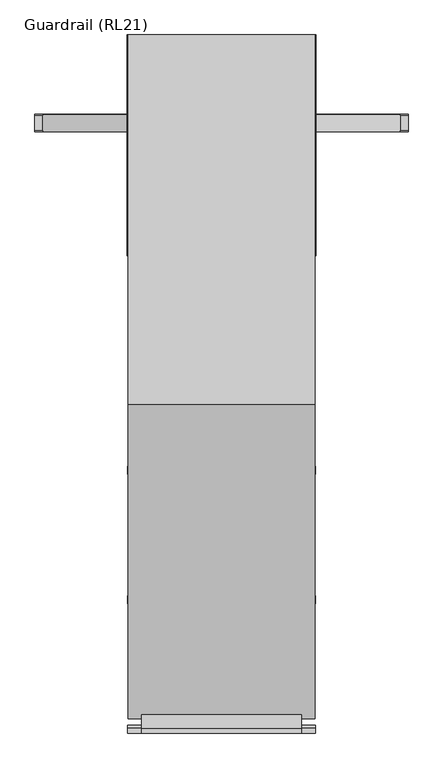
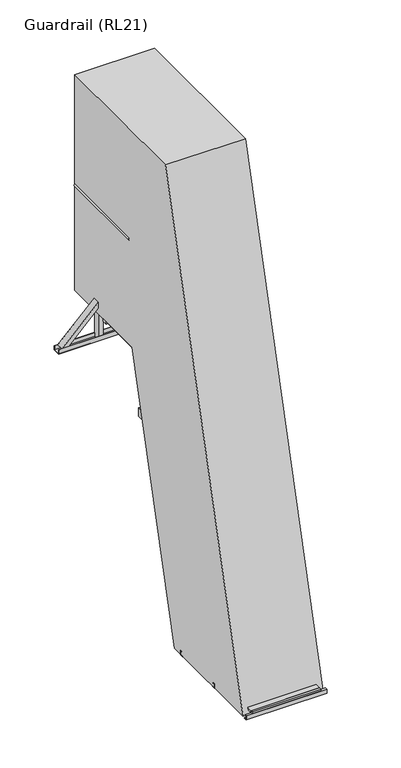
"""IFC4 building model written with IfcOpenShell, lengths in millimetres: proxy geometry, Guardrail (RL21)."""

from ifc_helpers import new_model, si_unit, point, frame, frame_2d, origin, place, context, project, spatial, polyline, circle_curve, trimmed, segment, composite_curve, outline, extrude, faceted_brep, source, transform, mapped, element, save
from ifc_brep_helpers import plane_surface, cylinder_surface, advanced_brep


def guardrail_rl21_8d306003(model_context):
    return source(origin(), model_context, "Body", "SolidModel", [
        extrude(outline(polyline([(-1615.0780618, 0.0), (-1615.0780618, 40.0), (-1597.0780618, 40.0), (-1597.0780618, 38.0), (-1613.0780618, 38.0), (-1613.0780618, 2.0), (-1585.0780618, 2.0), (-1585.0780618, 0.0), (-1615.0780618, 0.0)])), frame((-353.0, 0.0, 0.0), z_axis=(1.0, 0.0, 0.0), x_axis=(0.0, 1.0, 0.0)), (0.0, 0.0, 1.0), 706.0),
        extrude(outline(polyline([(-615.0780618, 0.0), (-645.0780618, 0.0), (-645.0780618, 2.0), (-617.0780618, 2.0), (-617.0780618, 38.0), (-633.0780618, 38.0), (-633.0780618, 40.0), (-615.0780618, 40.0), (-615.0780618, 0.0)])), frame((-353.0, 0.0, 0.0), z_axis=(1.0, 0.0, 0.0), x_axis=(0.0, 1.0, 0.0)), (0.0, 0.0, 1.0), 706.0),
        extrude(outline(polyline([(-1130.0780618, 0.0), (-1130.0780618, 40.0), (-1112.0780618, 40.0), (-1112.0780618, 38.0), (-1128.0780618, 38.0), (-1128.0780618, 2.0), (-1100.0780618, 2.0), (-1100.0780618, 0.0), (-1130.0780618, 0.0)])), frame((-353.0, 0.0, 0.0), z_axis=(1.0, 0.0, 0.0), x_axis=(0.0, 1.0, 0.0)), (0.0, 0.0, 1.0), 706.0),
        extrude(outline(polyline([(300.5, -633.0780618), (300.5, -1597.0780618), (-300.5, -1597.0780618), (-300.5, -633.0780618), (300.5, -633.0780618)])), frame((0.0, 0.0, 40.0), z_axis=(0.0, 0.0, 1.0), x_axis=(1.0, 0.0, 0.0)), (0.0, 0.0, 1.0), 18.5),
        extrude(outline(polyline([(300.5, -1597.0780618), (300.5, -1615.0780618), (-300.5, -1615.0780618), (-300.5, -1597.0780618), (300.5, -1597.0780618)])), frame((0.0, 0.0, 40.0), z_axis=(0.0, 0.0, 1.0), x_axis=(1.0, 0.0, 0.0)), (0.0, 0.0, 1.0), 18.5),
        extrude(outline(polyline([(300.5, -615.0780618), (300.5, -633.0780618), (-300.5, -633.0780618), (-300.5, -615.0780618), (300.5, -615.0780618)])), frame((0.0, 0.0, 40.0), z_axis=(0.0, 0.0, 1.0), x_axis=(1.0, 0.0, 0.0)), (0.0, 0.0, 1.0), 18.5),
        extrude(outline(composite_curve([segment(polyline([(-215.2018018, 2103.644982), (-210.801878, 2120.0657211)]), True, "CONTINUOUS"), segment(trimmed(circle_curve(frame_2d((-192.4257286, 2101.71312)), 25.9711538), [point((-210.801878, 2120.0657211))], [point((-167.3352159, 2108.418864))], False, "CARTESIAN"), True, "CONTINUOUS"), segment(polyline([(-167.3352159, 2108.418864), (-171.7351396, 2091.998125), (-215.2018018, 2103.644982)]), True, "CONTINUOUS")], self_intersect=False)), frame((-262.0, 0.0, 0.0), z_axis=(1.0, 0.0, 0.0), x_axis=(0.0, 1.0, 0.0)), (0.0, 0.0, 1.0), 524.0),
        extrude(outline(composite_curve([segment(polyline([(-288.4057012, 1830.4443103), (-284.0057774, 1846.8650493)]), True, "CONTINUOUS"), segment(trimmed(circle_curve(frame_2d((-265.629628, 1828.5124483)), 25.9711538), [point((-284.0057774, 1846.8650493))], [point((-240.5391152, 1835.2181923))], False, "CARTESIAN"), True, "CONTINUOUS"), segment(polyline([(-240.5391152, 1835.2181923), (-244.939039, 1818.7974533), (-288.4057012, 1830.4443103)]), True, "CONTINUOUS")], self_intersect=False)), frame((-262.0, 0.0, 0.0), z_axis=(1.0, 0.0, 0.0), x_axis=(0.0, 1.0, 0.0)), (0.0, 0.0, 1.0), 524.0),
        extrude(outline(composite_curve([segment(polyline([(-361.6096005, 1557.2436386), (-357.2096768, 1573.6643776)]), True, "CONTINUOUS"), segment(trimmed(circle_curve(frame_2d((-338.8335273, 1555.3117766)), 25.9711538), [point((-357.2096768, 1573.6643776))], [point((-313.7430146, 1562.0175206))], False, "CARTESIAN"), True, "CONTINUOUS"), segment(polyline([(-313.7430146, 1562.0175206), (-318.1429383, 1545.5967815), (-361.6096005, 1557.2436386)]), True, "CONTINUOUS")], self_intersect=False)), frame((-262.0, 0.0, 0.0), z_axis=(1.0, 0.0, 0.0), x_axis=(0.0, 1.0, 0.0)), (0.0, 0.0, 1.0), 524.0),
        extrude(outline(composite_curve([segment(polyline([(-434.8134999, 1284.0429669), (-430.4135761, 1300.4637059)]), True, "CONTINUOUS"), segment(trimmed(circle_curve(frame_2d((-412.0374267, 1282.1111049)), 25.9711538), [point((-430.4135761, 1300.4637059))], [point((-386.9469139, 1288.8168489))], False, "CARTESIAN"), True, "CONTINUOUS"), segment(polyline([(-386.9469139, 1288.8168489), (-391.3468377, 1272.3961098), (-434.8134999, 1284.0429669)]), True, "CONTINUOUS")], self_intersect=False)), frame((-262.0, 0.0, 0.0), z_axis=(1.0, 0.0, 0.0), x_axis=(0.0, 1.0, 0.0)), (0.0, 0.0, 1.0), 524.0),
        extrude(outline(composite_curve([segment(polyline([(-508.0173992, 1010.8422951), (-503.6174755, 1027.2630342)]), True, "CONTINUOUS"), segment(trimmed(circle_curve(frame_2d((-485.241326, 1008.9104332)), 25.9711538), [point((-503.6174755, 1027.2630342))], [point((-460.1508133, 1015.6161772))], False, "CARTESIAN"), True, "CONTINUOUS"), segment(polyline([(-460.1508133, 1015.6161772), (-464.5507371, 999.1954381), (-508.0173992, 1010.8422951)]), True, "CONTINUOUS")], self_intersect=False)), frame((-262.0, 0.0, 0.0), z_axis=(1.0, 0.0, 0.0), x_axis=(0.0, 1.0, 0.0)), (0.0, 0.0, 1.0), 524.0),
        extrude(outline(composite_curve([segment(polyline([(-581.2212986, 737.6416234), (-576.8213748, 754.0623625)]), True, "CONTINUOUS"), segment(trimmed(circle_curve(frame_2d((-558.4452254, 735.7097614)), 25.9711538), [point((-576.8213748, 754.0623625))], [point((-533.3547126, 742.4155054))], False, "CARTESIAN"), True, "CONTINUOUS"), segment(polyline([(-533.3547126, 742.4155054), (-537.7546364, 725.9947664), (-581.2212986, 737.6416234)]), True, "CONTINUOUS")], self_intersect=False)), frame((-262.0, 0.0, 0.0), z_axis=(1.0, 0.0, 0.0), x_axis=(0.0, 1.0, 0.0)), (0.0, 0.0, 1.0), 524.0),
        extrude(outline(composite_curve([segment(polyline([(-654.425198, 464.4409517), (-650.0252742, 480.8616907)]), True, "CONTINUOUS"), segment(trimmed(circle_curve(frame_2d((-631.6491247, 462.5090897)), 25.9711538), [point((-650.0252742, 480.8616907))], [point((-606.558612, 469.2148337))], False, "CARTESIAN"), True, "CONTINUOUS"), segment(polyline([(-606.558612, 469.2148337), (-610.9585358, 452.7940947), (-654.425198, 464.4409517)]), True, "CONTINUOUS")], self_intersect=False)), frame((-262.0, 0.0, 0.0), z_axis=(1.0, 0.0, 0.0), x_axis=(0.0, 1.0, 0.0)), (0.0, 0.0, 1.0), 524.0),
        extrude(outline(composite_curve([segment(polyline([(-141.9979024, 2376.8456537), (-137.5979787, 2393.2663928)]), True, "CONTINUOUS"), segment(trimmed(circle_curve(frame_2d((-119.2218292, 2374.9137918)), 25.9711538), [point((-137.5979787, 2393.2663928))], [point((-94.1313165, 2381.6195357))], False, "CARTESIAN"), True, "CONTINUOUS"), segment(polyline([(-94.1313165, 2381.6195357), (-98.5312403, 2365.1987967), (-141.9979024, 2376.8456537)]), True, "CONTINUOUS")], self_intersect=False)), frame((-262.0, 0.0, 0.0), z_axis=(1.0, 0.0, 0.0), x_axis=(0.0, 1.0, 0.0)), (0.0, 0.0, 1.0), 524.0),
        extrude(outline(composite_curve([segment(polyline([(-727.6290973, 191.24028), (-723.2291735, 207.661019)]), True, "CONTINUOUS"), segment(trimmed(circle_curve(frame_2d((-704.8530241, 189.308418)), 25.9711538), [point((-723.2291735, 207.661019))], [point((-679.7625114, 196.014162))], False, "CARTESIAN"), True, "CONTINUOUS"), segment(polyline([(-679.7625114, 196.014162), (-684.1624351, 179.5934229), (-727.6290973, 191.24028)]), True, "CONTINUOUS")], self_intersect=False)), frame((-262.0, 0.0, 0.0), z_axis=(1.0, 0.0, 0.0), x_axis=(0.0, 1.0, 0.0)), (0.0, 0.0, 1.0), 524.0),
        extrude(outline(polyline([(-38.0, 0.0), (0.0, 0.0), (0.0, -58.0), (-38.0, -58.0), (-38.0, 0.0)])), frame((262.0, -764.9659006, 77.0115046), z_axis=(0.0, 0.2588190451025102, 0.9659258262890712), x_axis=(-1.0, 0.0, 0.0)), (0.0, 0.0, 1.0), 3462.7051832),
        extrude(outline(polyline([(-38.0, 0.0), (0.0, 0.0), (0.0, -58.0), (-38.0, -58.0), (-38.0, 0.0)])), frame((-300.0, -764.9659006, 77.0115046), z_axis=(0.0, 0.2588190451025102, 0.9659258262890712), x_axis=(-1.0, 0.0, 0.0)), (0.0, 0.0, 1.0), 3462.7051832),
        faceted_brep([(-303.5, -959.7690595, 59.0), (-250.5, -959.7690595, 59.0), (-250.5, -959.7690595, 62.0), (-300.5, -959.7690595, 62.0), (-303.5, -959.7690595, 62.0), (-300.5, -599.7690595, 62.0), (-250.5, -599.7690595, 62.0), (-250.5, -599.7690595, 59.0), (-303.5, -599.7690595, 59.0), (-303.5, -599.7690595, 62.0), (-300.5, -912.7690595, 109.0), (-300.5, -646.7690595, 109.0), (-303.5, -646.7690595, 109.0), (-303.5, -912.7690595, 109.0)], [[[0, 1, 2, 3, 4]], [[5, 6, 7, 8, 9]], [[10, 11, 12, 13]], [[8, 0, 4, 13, 12, 9]], [[1, 0, 8, 7]], [[2, 1, 7, 6]], [[3, 2, 6, 5]], [[3, 5, 11, 10]], [[5, 9, 12, 11]], [[4, 3, 10, 13]]]),
        faceted_brep([(300.5, -959.7690595, 62.0), (250.5, -959.7690595, 62.0), (250.5, -959.7690595, 59.0), (303.5, -959.7690595, 59.0), (303.5, -959.7690595, 62.0), (303.5, -599.7690595, 59.0), (250.5, -599.7690595, 59.0), (250.5, -599.7690595, 62.0), (300.5, -599.7690595, 62.0), (303.5, -599.7690595, 62.0), (303.5, -646.7690595, 109.0), (303.5, -912.7690595, 109.0), (300.5, -646.7690595, 109.0), (300.5, -912.7690595, 109.0)], [[[0, 1, 2, 3, 4]], [[5, 6, 7, 8, 9]], [[1, 0, 8, 7]], [[2, 1, 7, 6]], [[3, 2, 6, 5]], [[3, 5, 9, 10, 11, 4]], [[11, 10, 12, 13]], [[8, 0, 13, 12]], [[9, 8, 12, 10]], [[0, 4, 11, 13]]]),
        advanced_brep(
        [(309.5, 1000.0, 2886.25), (309.5, 1000.0, 2859.75), (309.5, 41.3809842, 2886.25), (309.5, 41.3809842, 2859.75), (294.5187617, 41.3809842, 2893.0)],
        [
            (0, 1),
            (1, 0, circle_curve(frame((294.5187617, 1000.0, 2873.0), z_axis=(0.0, 1.0, 0.0), x_axis=(-1.0, 0.0, 0.0)), 20.0)),
            (0, 2),
            (2, 3),
            (3, 1),
            (3, 4, circle_curve(frame((294.5187617, 41.3809842, 2873.0), z_axis=(0.0, 1.0, 0.0), x_axis=(-1.0, 0.0, 0.0)), 20.0)),
            (4, 2, circle_curve(frame((294.5187617, 41.3809842, 2873.0), z_axis=(0.0, 1.0, 0.0), x_axis=(-1.0, 0.0, 0.0)), 20.0)),
        ],
        [
            plane_surface(frame((274.5187617, 1000.0, 2873.0), z_axis=(0.0, 1.0, 0.0), x_axis=(0.0, 0.0, 1.0))),
            plane_surface(frame((309.5, 0.0, 2859.75), z_axis=(1.0, 0.0, 0.0), x_axis=(0.0, 1.0, 0.0))),
            cylinder_surface(frame((294.5187617, 1000.0, 2873.0), z_axis=(0.0, -1.0, 0.0), x_axis=(-1.0, 0.0, 0.0)), 20.0),
            plane_surface(frame((372.2487373, 41.3809842, 2400.0), z_axis=(0.0, -1.0, 0.0), x_axis=(-1.0, 0.0, 0.0))),
        ],
        [
            (0, [[1, 2]]),
            (1, [[-1, 3, 4, 5]]),
            (2, [[-2, -5, 6, 7, -3]]),
            (3, [[-4, -7, -6]]),
        ],
    ),
        advanced_brep(
        [(-309.5, 1000.0, 2886.25), (-309.5, 1000.0, 2859.75), (-309.5, 41.3809842, 2859.75), (-309.5, 41.3809842, 2886.25), (-294.5187617, 41.3809842, 2893.0)],
        [
            (0, 1, circle_curve(frame((-294.5187617, 1000.0, 2873.0), z_axis=(0.0, 1.0, 0.0), x_axis=(1.0, 0.0, 0.0)), 20.0)),
            (1, 0),
            (1, 2),
            (2, 3),
            (3, 0),
            (3, 4, circle_curve(frame((-294.5187617, 41.3809842, 2873.0), z_axis=(0.0, 1.0, 0.0), x_axis=(1.0, 0.0, 0.0)), 20.0)),
            (4, 2, circle_curve(frame((-294.5187617, 41.3809842, 2873.0), z_axis=(0.0, 1.0, 0.0), x_axis=(1.0, 0.0, 0.0)), 20.0)),
        ],
        [
            plane_surface(frame((-309.5, 1000.0, 2859.75), z_axis=(0.0, 1.0, 0.0), x_axis=(0.0, 0.0, 1.0))),
            plane_surface(frame((-309.5, 0.0, 2886.25), z_axis=(-1.0, 0.0, 0.0), x_axis=(0.0, 1.0, 0.0))),
            cylinder_surface(frame((-294.5187617, 1000.0, 2873.0), z_axis=(0.0, -1.0, 0.0), x_axis=(1.0, 0.0, 0.0)), 20.0),
            plane_surface(frame((372.2487373, 41.3809842, 2400.0), z_axis=(0.0, -1.0, 0.0), x_axis=(-1.0, 0.0, 0.0))),
        ],
        [
            (0, [[1, 2]]),
            (1, [[-2, 3, 4, 5]]),
            (2, [[-1, -5, 6, 7, -3]]),
            (3, [[-4, -7, -6]]),
        ],
    ),
        advanced_brep(
        [(349.5, 1000.0, 3361.43534), (349.5, 1000.0, 3343.0), (307.5, 1000.0, 3343.0), (307.5, 1000.0, 3361.43534), (349.5, 172.6760885, 3361.43534), (349.5, 172.6760885, 3343.0), (307.5, 172.6760885, 3343.0), (307.5, 172.6760885, 3361.43534), (328.5, 172.6760885, 3400.0)],
        [
            (0, 1),
            (1, 2),
            (2, 3),
            (3, 0, circle_curve(frame((328.5, 1000.0, 3375.0), z_axis=(0.0, 1.0, 0.0), x_axis=(-1.0, 0.0, 0.0)), 25.0)),
            (0, 4),
            (4, 5),
            (5, 1),
            (5, 6),
            (6, 2),
            (6, 7),
            (7, 3),
            (7, 8, circle_curve(frame((328.5, 172.6760885, 3375.0), z_axis=(0.0, 1.0, 0.0), x_axis=(-1.0, 0.0, 0.0)), 25.0)),
            (8, 4, circle_curve(frame((328.5, 172.6760885, 3375.0), z_axis=(0.0, 1.0, 0.0), x_axis=(-1.0, 0.0, 0.0)), 25.0)),
        ],
        [
            plane_surface(frame((303.5, 1000.0, 3375.0), z_axis=(0.0, 1.0, 0.0), x_axis=(0.0, 0.0, 1.0))),
            plane_surface(frame((349.5, 0.0, 3343.0), z_axis=(1.0, 0.0, 0.0), x_axis=(0.0, 1.0, 0.0))),
            plane_surface(frame((307.5, 0.0, 3343.0), z_axis=(0.0, 0.0, -1.0), x_axis=(0.0, 1.0, 0.0))),
            plane_surface(frame((307.5, 0.0, 3361.43534), z_axis=(-1.0, 0.0, 0.0), x_axis=(0.0, 1.0, 0.0))),
            cylinder_surface(frame((328.5, 1000.0, 3375.0), z_axis=(0.0, -1.0, 0.0), x_axis=(-1.0, 0.0, 0.0)), 25.0),
            plane_surface(frame((372.2487373, 172.6760885, 3343.0), z_axis=(0.0, -1.0, 0.0), x_axis=(-1.0, 0.0, 0.0))),
        ],
        [
            (0, [[1, 2, 3, 4]]),
            (1, [[-1, 5, 6, 7]]),
            (2, [[-2, -7, 8, 9]]),
            (3, [[-3, -9, 10, 11]]),
            (4, [[-4, -11, 12, 13, -5]]),
            (5, [[-6, -13, -12, -10, -8]]),
        ],
    ),
        advanced_brep(
        [(-349.5, 1000.0, 3361.43534), (-307.5, 1000.0, 3361.43534), (-307.5, 1000.0, 3343.0), (-349.5, 1000.0, 3343.0), (-349.5, 172.6760885, 3343.0), (-349.5, 172.6760885, 3361.43534), (-307.5, 172.6760885, 3343.0), (-307.5, 172.6760885, 3361.43534), (-328.5, 172.6760885, 3400.0)],
        [
            (0, 1, circle_curve(frame((-328.5, 1000.0, 3375.0), z_axis=(0.0, 1.0, 0.0), x_axis=(1.0, 0.0, 0.0)), 25.0)),
            (1, 2),
            (2, 3),
            (3, 0),
            (3, 4),
            (4, 5),
            (5, 0),
            (2, 6),
            (6, 4),
            (1, 7),
            (7, 6),
            (5, 8, circle_curve(frame((-328.5, 172.6760885, 3375.0), z_axis=(0.0, 1.0, 0.0), x_axis=(1.0, 0.0, 0.0)), 25.0)),
            (8, 7, circle_curve(frame((-328.5, 172.6760885, 3375.0), z_axis=(0.0, 1.0, 0.0), x_axis=(1.0, 0.0, 0.0)), 25.0)),
        ],
        [
            plane_surface(frame((-349.5, 1000.0, 3343.0), z_axis=(0.0, 1.0, 0.0), x_axis=(0.0, 0.0, 1.0))),
            plane_surface(frame((-349.5, 0.0, 3361.43534), z_axis=(-1.0, 0.0, 0.0), x_axis=(0.0, 1.0, 0.0))),
            plane_surface(frame((-349.5, 0.0, 3343.0), z_axis=(0.0, 0.0, -1.0), x_axis=(0.0, 1.0, 0.0))),
            plane_surface(frame((-307.5, 0.0, 3343.0), z_axis=(1.0, 0.0, 0.0), x_axis=(0.0, 1.0, 0.0))),
            cylinder_surface(frame((-328.5, 1000.0, 3375.0), z_axis=(0.0, -1.0, 0.0), x_axis=(1.0, 0.0, 0.0)), 25.0),
            plane_surface(frame((372.2487373, 172.6760885, 3343.0), z_axis=(0.0, -1.0, 0.0), x_axis=(-1.0, 0.0, 0.0))),
        ],
        [
            (0, [[1, 2, 3, 4]]),
            (1, [[-4, 5, 6, 7]]),
            (2, [[-3, 8, 9, -5]]),
            (3, [[-2, 10, 11, -8]]),
            (4, [[-1, -7, 12, 13, -10]]),
            (5, [[-6, -9, -11, -13, -12]]),
        ],
    ),
        extrude(outline(polyline([(300.0, 1000.0), (300.0, -80.0), (-300.0, -80.0), (-300.0, 1000.0), (300.0, 1000.0)]), holes=[polyline([(262.0, 962.0), (-262.0, 962.0), (-262.0, -42.0), (262.0, -42.0), (262.0, 962.0)])]), frame((0.0, 0.0, 2324.2375855), z_axis=(0.0, 0.0, 1.0), x_axis=(1.0, 0.0, 0.0)), (0.0, 0.0, 1.0), 57.2624145),
        extrude(outline(polyline([(702.5, 2188.0), (702.5, 2150.0), (637.5, 2150.0), (637.5, 2188.0), (640.5, 2188.0), (640.5, 2153.0), (699.5, 2153.0), (699.5, 2188.0), (702.5, 2188.0)])), frame((-700.0, 0.0, 0.0), z_axis=(1.0, 0.0, 0.0), x_axis=(0.0, 1.0, 0.0)), (0.0, 0.0, 1.0), 1400.0),
        extrude(outline(polyline([(-29.0, -38.0), (-32.0, -38.0), (-32.0, 0.0), (32.0, 0.0), (32.0, -38.0), (29.0, -38.0), (29.0, -2.9999999), (-29.0, -2.9999999), (-29.0, -38.0)])), frame((670.0, 670.0, 2188.0), z_axis=(-0.7071067811865461, 0.0, 0.7071067811865491), x_axis=(0.0, -1.0, 0.0)), (0.0, 0.0, 1.0), 456.0838739),
        extrude(outline(polyline([(-29.0, 38.0), (-29.0, 2.9999999), (29.0, 2.9999999), (29.0, 38.0), (32.0, 38.0), (32.0, 0.0), (-32.0, 0.0), (-32.0, 38.0), (-29.0, 38.0)])), frame((-670.0, 670.0, 2188.0), z_axis=(0.7071067811865526, 0.0, 0.7071067811865425), x_axis=(0.0, -1.0, 0.0)), (0.0, 0.0, 1.0), 456.0838739),
        extrude(outline(polyline([(347.5, 699.0), (347.5, 641.0), (309.5, 641.0), (309.5, 699.0), (347.5, 699.0)])), frame((0.0, 0.0, 2153.0), z_axis=(0.0, 0.0, 1.0), x_axis=(1.0, 0.0, 0.0)), (0.0, 0.0, 1.0), 1190.0),
        extrude(outline(polyline([(347.5, 699.0), (347.5, 641.0), (309.5, 641.0), (309.5, 699.0), (347.5, 699.0)])), frame((0.0, 0.0, 2153.0), z_axis=(0.0, 0.0, 1.0), x_axis=(1.0, 0.0, 0.0)), (0.0, 0.0, 1.0), 1190.0),
        extrude(outline(polyline([(-309.5, 699.0), (-309.5, 641.0), (-347.5, 641.0), (-347.5, 699.0), (-309.5, 699.0)])), frame((0.0, 0.0, 2153.0), z_axis=(0.0, 0.0, 1.0), x_axis=(1.0, 0.0, 0.0)), (0.0, 0.0, 1.0), 1190.0),
        extrude(outline(polyline([(-309.5, 699.0), (-309.5, 641.0), (-347.5, 641.0), (-347.5, 699.0), (-309.5, 699.0)])), frame((0.0, 0.0, 2153.0), z_axis=(0.0, 0.0, 1.0), x_axis=(1.0, 0.0, 0.0)), (0.0, 0.0, 1.0), 1190.0),
        extrude(outline(polyline([(300.0, 1000.0), (300.0, -80.0), (-300.0, -80.0), (-300.0, 1000.0), (300.0, 1000.0)])), frame((0.0, 0.0, 2381.5), z_axis=(0.0, 0.0, 1.0), x_axis=(1.0, 0.0, 0.0)), (0.0, 0.0, 1.0), 18.5),
        extrude(outline(polyline([(0.0, -75.0156698), (0.0, 0.0), (6.0, 0.0), (6.0, -75.0156698), (0.0, -75.0156698)])), frame((300.0, -18.0012303, 2324.2375855), z_axis=(0.0, -0.22820939732088105, 0.9736120741724809), x_axis=(1.0, 0.0, 0.0)), (0.0, 0.0, 1.0), 56.5477611),
        extrude(outline(polyline([(0.0, -75.0156698), (0.0, 0.0), (6.0, 0.0), (6.0, -75.0156698), (0.0, -75.0156698)])), frame((-300.0, -91.0373922, 2307.1183047), z_axis=(0.0, -0.22820939732088125, 0.9736120741724809), x_axis=(-1.0, 0.0, 0.0)), (0.0, 0.0, 1.0), 56.5477611),
        extrude(outline(polyline([(300.0, 590.0), (300.0, 750.0), (309.5, 750.0), (309.5, 590.0), (300.0, 590.0)])), frame((0.0, 0.0, 2320.0), z_axis=(0.0, 0.0, 1.0), x_axis=(1.0, 0.0, 0.0)), (0.0, 0.0, 1.0), 80.0),
        extrude(outline(polyline([(300.0, 590.0), (300.0, 750.0), (309.5, 750.0), (309.5, 590.0), (300.0, 590.0)])), frame((0.0, 0.0, 2320.0), z_axis=(0.0, 0.0, 1.0), x_axis=(1.0, 0.0, 0.0)), (0.0, 0.0, 1.0), 80.0),
        extrude(outline(polyline([(-300.0, 750.0), (-300.0, 590.0), (-309.5, 590.0), (-309.5, 750.0), (-300.0, 750.0)])), frame((0.0, 0.0, 2320.0), z_axis=(0.0, 0.0, 1.0), x_axis=(1.0, 0.0, 0.0)), (0.0, 0.0, 1.0), 80.0),
        extrude(outline(polyline([(-300.0, 750.0), (-300.0, 590.0), (-309.5, 590.0), (-309.5, 750.0), (-300.0, 750.0)])), frame((0.0, 0.0, 2320.0), z_axis=(0.0, 0.0, 1.0), x_axis=(1.0, 0.0, 0.0)), (0.0, 0.0, 1.0), 80.0),
        extrude(outline(polyline([(262.0, 540.5), (262.0, 502.5), (-262.0, 502.5), (-262.0, 540.5), (262.0, 540.5)])), frame((0.0, 0.0, 2323.5), z_axis=(0.0, 0.0, 1.0), x_axis=(1.0, 0.0, 0.0)), (0.0, 0.0, 1.0), 58.0),
        extrude(outline(polyline([(306.5, 100.0), (306.5, -272.7695155), (300.5, -272.7695155), (300.5, 94.0), (-300.5, 94.0), (-300.5, -272.7695155), (-306.5, -272.7695155), (-306.5, 100.0), (306.5, 100.0)])), frame((0.0, 0.0, 1760.0), z_axis=(0.0, 0.0, 1.0), x_axis=(1.0, 0.0, 0.0)), (0.0, 0.0, 1.0), 80.0),
        extrude(outline(polyline([(124.5782453, 2400.0), (-518.4998165, 0.0), (-1562.0582064, 0.0), (-383.0817597, 4400.0), (1000.0, 4400.0), (1000.0, 2400.0), (124.5782453, 2400.0)])), frame((-350.5, 0.0, 0.0), z_axis=(1.0, 0.0, 0.0), x_axis=(0.0, 1.0, 0.0)), (0.0, 0.0, 1.0), 701.0),
    ])


if __name__ == "__main__":
    model = new_model("IFC4")
    model_context = context("Model", 3, world=origin())
    ifc_project = project(units=[si_unit("LENGTHUNIT", "METRE", prefix="MILLI")], contexts=[model_context])
    site = spatial("IfcSite", under=ifc_project)
    building = spatial("IfcBuilding", under=site)
    placement = place(None, origin())
    guardrail_rl21_shape = guardrail_rl21_8d306003(model_context)
    element("IfcBuildingElementProxy", 1, Name="Guardrail (RL21)", ObjectType="Guardrail (RL21)", at=placement, inside=building, context=model_context, shape_type="MappedRepresentation", body=[
        mapped(guardrail_rl21_shape, transform((0.0, 0.0, 0.0), x_axis=(1.0, 0.0, 0.0), y_axis=(0.0, 1.0, 0.0), z_axis=(0.0, 0.0, 1.0))),
    ])
    save(model, "model.ifc")
